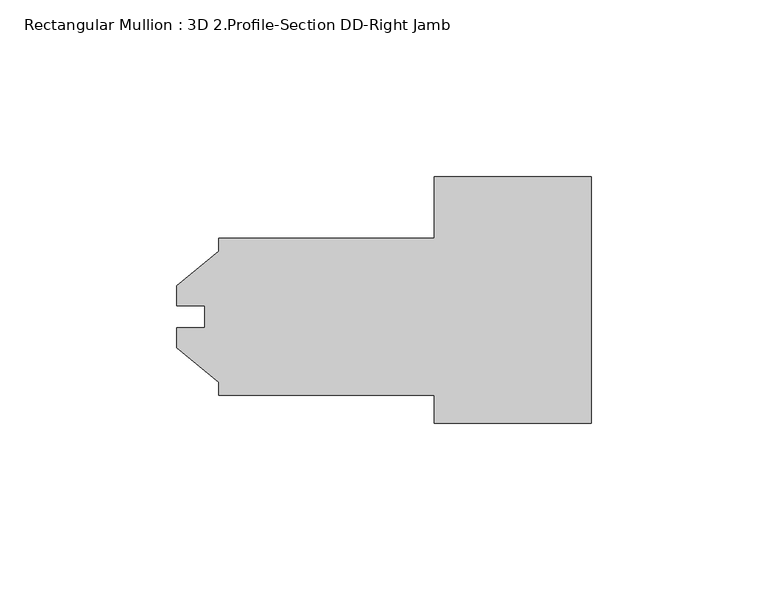
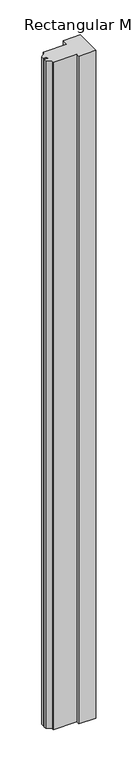
"""IFC4 building model written with IfcOpenShell, lengths in millimetres: member geometry, Rectangular Mullion : 3D 2.Profile-Section DD-Right Jamb."""

from ifc_helpers import new_model, si_unit, frame, origin, place, context, project, spatial, polyline, outline, extrude, source, transform, mapped, element, save


def rectangular_mullion_3d_2_profile_section_dd_right_jamb_04445bf5(model_context):
    return source(origin(), model_context, "Body", "SweptSolid", [
        extrude(outline(polyline([(0.0, 39.6875), (0.0, -30.1625), (-44.45, -30.1625), (-44.45, -22.225), (-105.5624, -22.225), (-105.5624, -18.518836), (-117.46865, -8.7503), (-117.46865, -3.175), (-109.5248, -3.175), (-109.5248, 3.175), (-117.46865, 3.175), (-117.46865, 8.7503), (-105.5624, 18.518836), (-105.5624, 22.225), (-44.45, 22.225), (-44.45, 39.6875), (0.0, 39.6875)])), frame((0.0, 0.0, -1828.00625), z_axis=(0.0, 0.0, 1.0), x_axis=(1.0, 0.0, 0.0)), (0.0, 0.0, 1.0), 1828.00625),
    ])


if __name__ == "__main__":
    model = new_model("IFC4")
    model_context = context("Model", 3, world=origin())
    ifc_project = project(units=[si_unit("LENGTHUNIT", "METRE", prefix="MILLI")], contexts=[model_context])
    site = spatial("IfcSite", under=ifc_project)
    building = spatial("IfcBuilding", under=site)
    placement = place(None, origin())
    rectangular_mullion_3d_2_profile_section_dd_right_jamb_shape = rectangular_mullion_3d_2_profile_section_dd_right_jamb_04445bf5(model_context)
    element("IfcMember", 1, ObjectType="Rectangular Mullion : 3D 2.Profile-Section DD-Right Jamb", at=placement, inside=building, context=model_context, shape_type="MappedRepresentation", body=[
        mapped(rectangular_mullion_3d_2_profile_section_dd_right_jamb_shape, transform((0.0, 0.0, 0.0), x_axis=(1.0, 0.0, 0.0), y_axis=(0.0, 1.0, 0.0), z_axis=(0.0, 0.0, 1.0))),
    ])
    save(model, "model.ifc")
